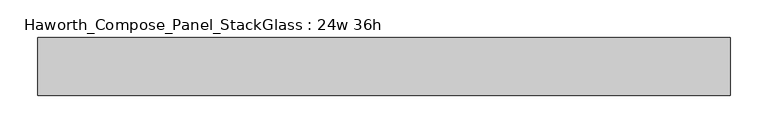
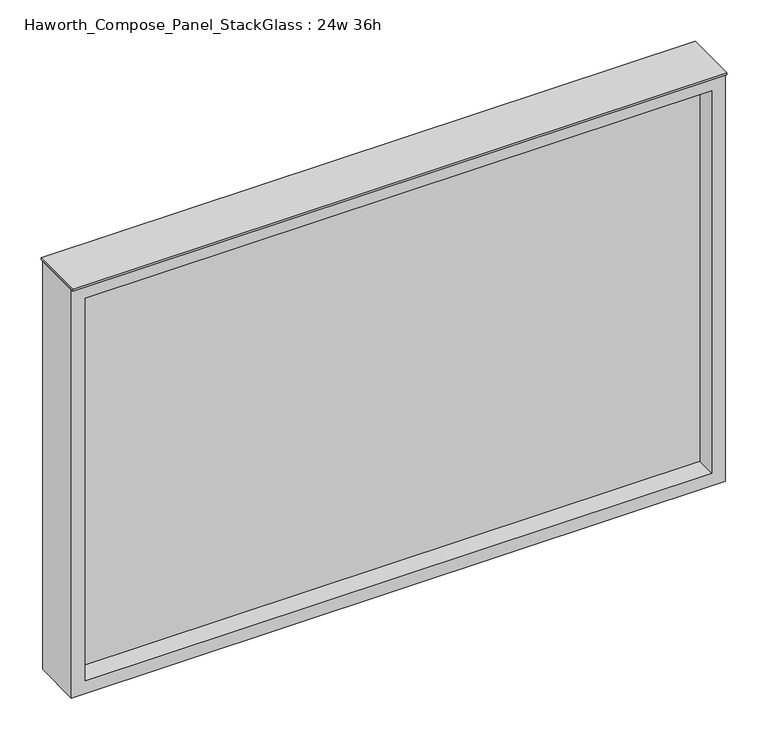
"""IFC4 building model written with IfcOpenShell, lengths in millimetres: furniture geometry, Haworth_Compose_Panel_StackGlass : 24w 36h."""

from ifc_helpers import new_model, si_unit, frame, origin, place, context, project, spatial, polyline, outline, extrude, source, transform, mapped, element, save


def haworth_compose_panel_stackglass_24w_36h_129c1315(model_context):
    return source(origin(), model_context, "Body", "SweptSolid", [
        extrude(outline(polyline([(440.5902902, -6.35), (-435.7097098, -6.35), (-435.7097098, 6.35), (440.5902902, 6.35), (440.5902902, -6.35)])), frame((0.0, 0.0, 1085.85), z_axis=(0.0, 0.0, 1.0), x_axis=(1.0, 0.0, 0.0)), (0.0, 0.0, 1.0), 565.15),
        extrude(outline(polyline([(1670.05, -454.7597098), (1066.8, -454.7597098), (1066.8, 459.6402902), (1670.05, 459.6402902), (1670.05, -454.7597098)]), holes=[polyline([(1651.0, 440.5902902), (1085.85, 440.5902902), (1085.85, -435.7097098), (1651.0, -435.7097098), (1651.0, 440.5902902)])]), frame((0.0, -34.925, 0.0), z_axis=(0.0, 1.0, 0.0), x_axis=(0.0, 0.0, 1.0)), (0.0, 0.0, 1.0), 69.85),
        extrude(outline(polyline([(-454.7597098, -38.1), (-454.7597098, 38.1), (459.6402902, 38.1), (459.6402902, -38.1), (-454.7597098, -38.1)])), frame((0.0, 0.0, 1670.05), z_axis=(0.0, 0.0, 1.0), x_axis=(1.0, 0.0, 0.0)), (0.0, 0.0, 1.0), 3.175),
    ])


if __name__ == "__main__":
    model = new_model("IFC4")
    model_context = context("Model", 3, world=origin())
    ifc_project = project(units=[si_unit("LENGTHUNIT", "METRE", prefix="MILLI")], contexts=[model_context])
    site = spatial("IfcSite", under=ifc_project)
    building = spatial("IfcBuilding", under=site)
    placement = place(None, origin())
    haworth_compose_panel_stackglass_24w_36h_shape = haworth_compose_panel_stackglass_24w_36h_129c1315(model_context)
    element("IfcFurniture", 1, ObjectType="Haworth_Compose_Panel_StackGlass : 24w 36h", at=placement, inside=building, context=model_context, shape_type="MappedRepresentation", body=[
        mapped(haworth_compose_panel_stackglass_24w_36h_shape, transform((0.0, 0.0, 0.0), x_axis=(1.0, 0.0, 0.0), y_axis=(0.0, 1.0, 0.0), z_axis=(0.0, 0.0, 1.0))),
    ])
    save(model, "model.ifc")
